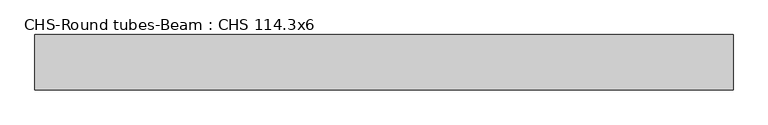
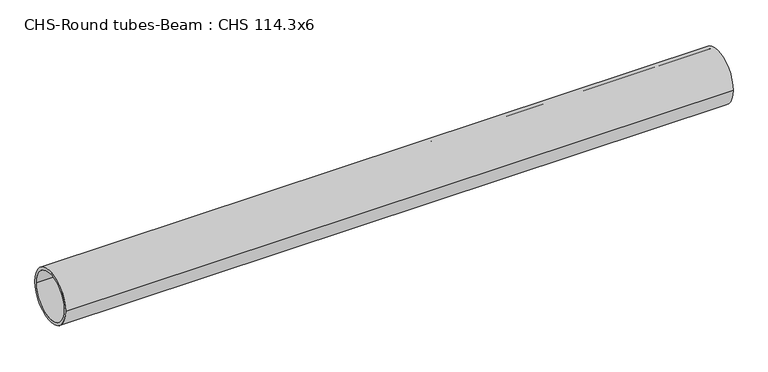
"""IFC4 building model written with IfcOpenShell, lengths in millimetres: beam geometry, CHS-Round tubes-Beam : CHS 114.3x6."""

from ifc_helpers import new_model, si_unit, point, frame, origin, origin_2d, place, context, project, spatial, circle_curve, trimmed, segment, composite_curve, outline, extrude, source, transform, mapped, element, save


def chs_round_tubes_beam_chs_114_3x6_5bc3e0b4(model_context):
    return source(origin(), model_context, "Body", "SweptSolid", [
        extrude(outline(composite_curve([segment(trimmed(circle_curve(origin_2d(), 57.15), [point((57.15, 0.0))], [point((-57.15, 0.0))], False, "CARTESIAN"), True, "CONTINUOUS"), segment(trimmed(circle_curve(origin_2d(), 57.15), [point((-57.15, 0.0))], [point((57.15, 0.0))], False, "CARTESIAN"), True, "CONTINUOUS")], self_intersect=False), holes=[composite_curve([segment(trimmed(circle_curve(origin_2d(), 51.15), [point((51.15, 0.0))], [point((-51.15, 0.0))], True, "CARTESIAN"), True, "CONTINUOUS"), segment(trimmed(circle_curve(origin_2d(), 51.15), [point((-51.15, 0.0))], [point((51.15, 0.0))], True, "CARTESIAN"), True, "CONTINUOUS")], self_intersect=False)]), frame((-701.5963221, 0.0, 0.0), z_axis=(1.0, 0.0, 0.0), x_axis=(0.0, 1.0, 0.0)), (0.0, 0.0, 1.0), 1438.0425318),
    ])


if __name__ == "__main__":
    model = new_model("IFC4")
    model_context = context("Model", 3, world=origin())
    ifc_project = project(units=[si_unit("LENGTHUNIT", "METRE", prefix="MILLI")], contexts=[model_context])
    site = spatial("IfcSite", under=ifc_project)
    building = spatial("IfcBuilding", under=site)
    placement = place(None, origin())
    chs_round_tubes_beam_chs_114_3x6_shape = chs_round_tubes_beam_chs_114_3x6_5bc3e0b4(model_context)
    element("IfcBeam", 1, ObjectType="CHS-Round tubes-Beam : CHS 114.3x6", at=placement, inside=building, context=model_context, shape_type="MappedRepresentation", body=[
        mapped(chs_round_tubes_beam_chs_114_3x6_shape, transform((0.0, 0.0, 0.0), x_axis=(1.0, 0.0, 0.0), y_axis=(0.0, 1.0, 0.0), z_axis=(0.0, 0.0, 1.0))),
    ])
    save(model, "model.ifc")
